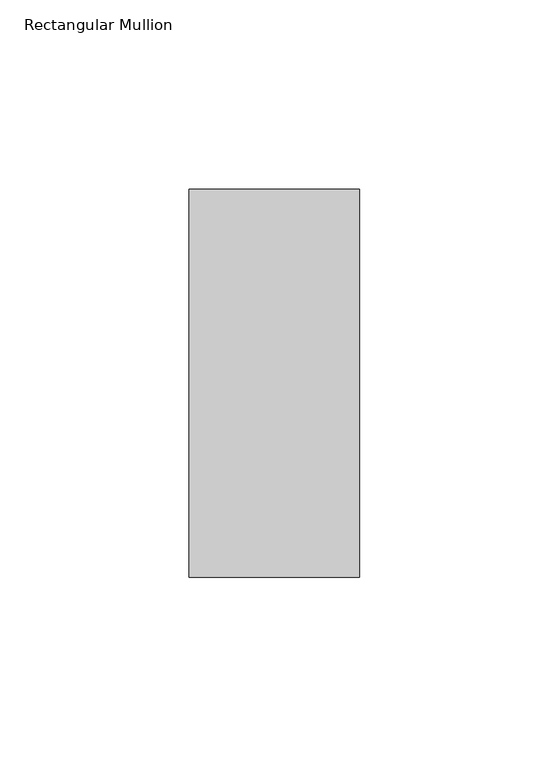
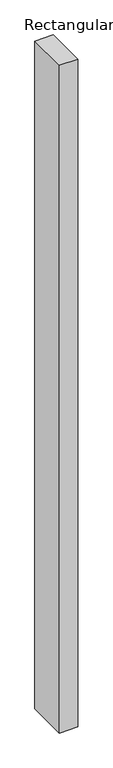
"""IFC4 building model written with IfcOpenShell, lengths in millimetres: member geometry, Rectangular Mullion."""

from ifc_helpers import new_model, si_unit, frame, origin, place, context, project, spatial, polyline, outline, extrude, source, transform, mapped, element, save


def rectangular_mullion_62d1216a(model_context):
    return source(origin(), model_context, "Body", "SweptSolid", [
        extrude(outline(polyline([(-45.0, 66.73125), (0.0, 66.73125), (0.0, -35.73125), (-45.0, -35.73125), (-45.0, 66.73125)])), frame((0.0, 0.0, -1708.8912252), z_axis=(0.0, 0.0, 1.0), x_axis=(1.0, 0.0, 0.0)), (0.0, 0.0, 1.0), 1708.8912252),
    ])


if __name__ == "__main__":
    model = new_model("IFC4")
    model_context = context("Model", 3, world=origin())
    ifc_project = project(units=[si_unit("LENGTHUNIT", "METRE", prefix="MILLI")], contexts=[model_context])
    site = spatial("IfcSite", under=ifc_project)
    building = spatial("IfcBuilding", under=site)
    placement = place(None, origin())
    rectangular_mullion_shape = rectangular_mullion_62d1216a(model_context)
    element("IfcMember", 1, ObjectType="Rectangular Mullion", at=placement, inside=building, context=model_context, shape_type="MappedRepresentation", body=[
        mapped(rectangular_mullion_shape, transform((0.0, 0.0, 0.0), x_axis=(1.0, 0.0, 0.0), y_axis=(0.0, 1.0, 0.0), z_axis=(0.0, 0.0, 1.0))),
    ])
    save(model, "model.ifc")
